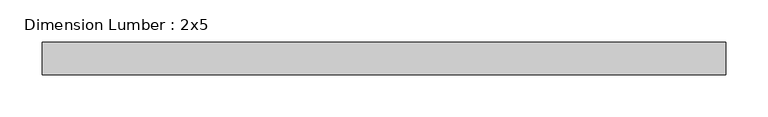
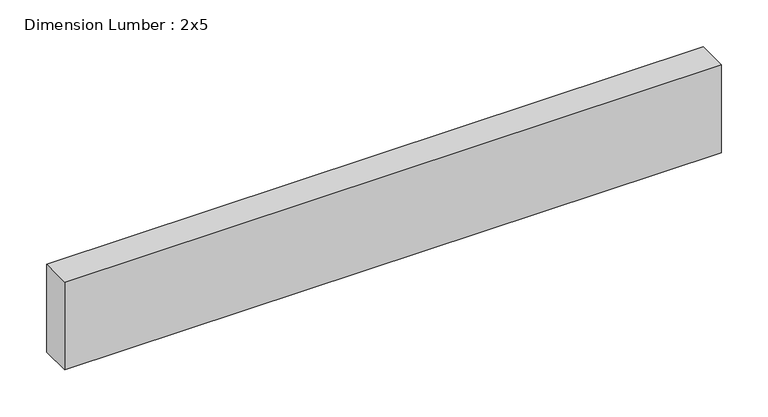
"""IFC4 building model written with IfcOpenShell, lengths in millimetres: beam geometry, Dimension Lumber : 2x5."""

from ifc_helpers import new_model, si_unit, frame, origin, place, context, project, spatial, polyline, outline, extrude, source, transform, mapped, element, save


def dimension_lumber_2x5_678f31d4(model_context):
    return source(origin(), model_context, "Body", "SweptSolid", [
        extrude(outline(polyline([(403.5099785, 19.05), (403.5099785, -19.05), (-403.5099785, -19.05), (-403.5099785, 19.05), (403.5099785, 19.05)])), frame((0.0, 0.0, -57.15), z_axis=(0.0, 0.0, 1.0), x_axis=(1.0, 0.0, 0.0)), (0.0, 0.0, 1.0), 114.3),
    ])


if __name__ == "__main__":
    model = new_model("IFC4")
    model_context = context("Model", 3, world=origin())
    ifc_project = project(units=[si_unit("LENGTHUNIT", "METRE", prefix="MILLI")], contexts=[model_context])
    site = spatial("IfcSite", under=ifc_project)
    building = spatial("IfcBuilding", under=site)
    placement = place(None, origin())
    dimension_lumber_2x5_shape = dimension_lumber_2x5_678f31d4(model_context)
    element("IfcBeam", 1, ObjectType="Dimension Lumber : 2x5", at=placement, inside=building, context=model_context, shape_type="MappedRepresentation", body=[
        mapped(dimension_lumber_2x5_shape, transform((0.0, 0.0, 0.0), x_axis=(1.0, 0.0, 0.0), y_axis=(0.0, 1.0, 0.0), z_axis=(0.0, 0.0, 1.0))),
    ])
    save(model, "model.ifc")
